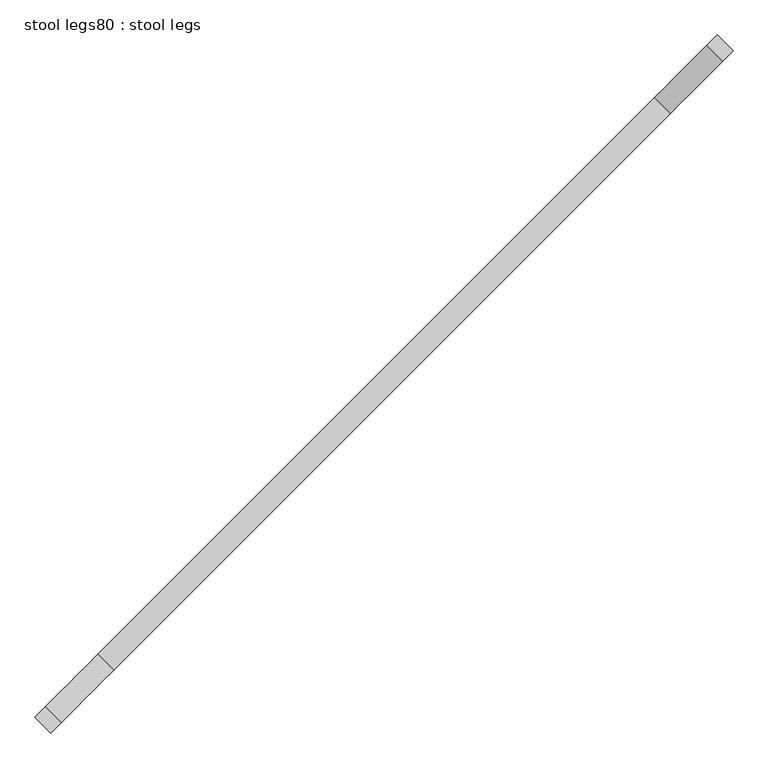
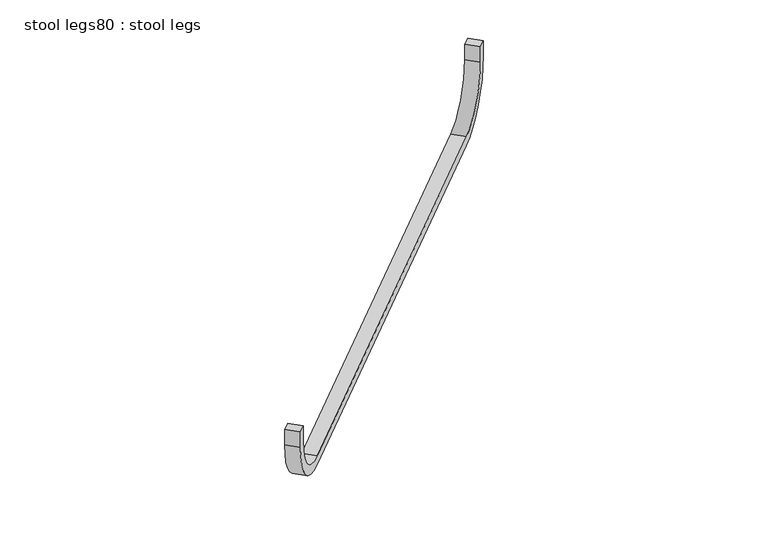
"""IFC4 building model written with IfcOpenShell, lengths in millimetres: furniture geometry, stool legs80 : stool legs."""

from ifc_helpers import new_model, si_unit, point, frame, frame_2d, origin, place, context, project, spatial, polyline, circle_curve, trimmed, segment, composite_curve, outline, extrude, source, transform, mapped, element, save


def stool_legs80_stool_legs_b1d851f3(model_context):
    return source(origin(), model_context, "Body", "SweptSolid", [
        extrude(outline(composite_curve([segment(polyline([(-44.45, 0.0), (0.0, 0.0), (0.0, -25.4), (-44.45, -25.4)]), True, "CONTINUOUS"), segment(trimmed(circle_curve(frame_2d((-44.45, 127.0)), 152.4), [point((-44.45, -25.4))], [point((-196.85, 127.0))], False, "CARTESIAN"), True, "CONTINUOUS"), segment(polyline([(-196.85, 127.0), (-196.85, 1473.2)]), True, "CONTINUOUS"), segment(trimmed(circle_curve(frame_2d((-44.45, 1473.2)), 152.4), [point((-196.85, 1473.2))], [point((-44.45, 1625.6))], False, "CARTESIAN"), True, "CONTINUOUS"), segment(polyline([(-44.45, 1625.6), (0.0, 1625.6), (0.0, 1600.2), (-44.45, 1600.2)]), True, "CONTINUOUS"), segment(trimmed(circle_curve(frame_2d((-44.45, 1473.2)), 127.0), [point((-44.45, 1600.2))], [point((-171.45, 1473.2))], True, "CARTESIAN"), True, "CONTINUOUS"), segment(polyline([(-171.45, 1473.2), (-171.45, 127.0)]), True, "CONTINUOUS"), segment(trimmed(circle_curve(frame_2d((-44.45, 127.0)), 127.0), [point((-171.45, 127.0))], [point((-44.45, 0.0))], True, "CARTESIAN"), True, "CONTINUOUS")], self_intersect=False)), frame((-121540.2190571, -64482.1222709, 457.2), z_axis=(-0.7071067811865617, 0.7071067811865334, 0.0), x_axis=(-1.5591337744677947e-12, -1.5591337744678573e-12, 1.0)), (0.0, 0.0, 1.0), 38.1),
    ])


if __name__ == "__main__":
    model = new_model("IFC4")
    model_context = context("Model", 3, world=origin())
    ifc_project = project(units=[si_unit("LENGTHUNIT", "METRE", prefix="MILLI")], contexts=[model_context])
    site = spatial("IfcSite", under=ifc_project)
    building = spatial("IfcBuilding", under=site)
    placement = place(None, origin())
    stool_legs80_stool_legs_shape = stool_legs80_stool_legs_b1d851f3(model_context)
    element("IfcFurniture", 1, ObjectType="stool legs80 : stool legs", at=placement, inside=building, context=model_context, shape_type="MappedRepresentation", body=[
        mapped(stool_legs80_stool_legs_shape, transform((0.0, 0.0, 0.0), x_axis=(1.0, 0.0, 0.0), y_axis=(0.0, 1.0, 0.0), z_axis=(0.0, 0.0, 1.0))),
    ])
    save(model, "model.ifc")
